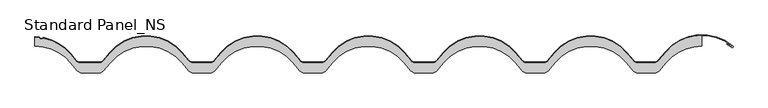
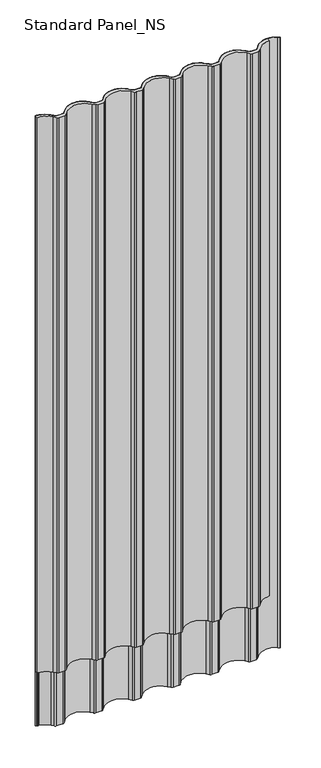
"""IFC4 building model written with IfcOpenShell, lengths in millimetres: proxy geometry, Standard Panel_NS."""

from ifc_helpers import new_model, si_unit, point, frame, frame_2d, origin, origin_with_axes, place, context, project, spatial, polyline, circle_curve, trimmed, segment, composite_curve, outline, extrude, source, transform, mapped, element, save


def standard_panel_ns_ac9356f1(model_context):
    return source(origin(), model_context, "Body", "SweptSolid", [
        extrude(outline(composite_curve([segment(trimmed(circle_curve(frame_2d((-499.9999093, -30.5757185)), 70.5757185), [point((-445.9357723, 14.7894789))], [point((-499.9999093, 40.0))], True, "CARTESIAN"), True, "CONTINUOUS"), segment(polyline([(-499.9999093, 40.0), (-499.9999093, 53.2828645)]), True, "CONTINUOUS"), segment(trimmed(circle_curve(frame_2d((-500.0, -16.7775841)), 70.0604486), [point((-499.9999093, 53.2828645))], [point((-495.2868953, 53.1241548))], False, "CARTESIAN"), True, "CONTINUOUS"), segment(trimmed(circle_curve(frame_2d((-495.5188215, 50.4050302)), 2.7289977), [point((-495.2868953, 53.1241548))], [point((-493.4260619, 52.1565397))], False, "CARTESIAN"), True, "CONTINUOUS"), segment(trimmed(circle_curve(frame_2d((-490.3061485, 54.8018214)), 4.0904004), [point((-493.4260619, 52.1565397))], [point((-488.0869852, 51.365735))], True, "CARTESIAN"), True, "CONTINUOUS"), segment(trimmed(circle_curve(frame_2d((-486.596017, 48.9689117)), 2.82272), [point((-488.0869852, 51.365735))], [point((-486.0111787, 51.7303809))], False, "CARTESIAN"), True, "CONTINUOUS"), segment(trimmed(circle_curve(frame_2d((-500.2495937, -15.5000677)), 68.7216537), [point((-486.0111787, 51.7303809))], [point((-447.2982034, 28.3042238))], False, "CARTESIAN"), True, "CONTINUOUS"), segment(trimmed(circle_curve(frame_2d((987.1713371, 1214.9760284)), 1861.6908536), [point((-447.2982034, 28.3042238))], [point((-438.9665962, 18.3042146))], True, "CARTESIAN"), True, "CONTINUOUS"), segment(trimmed(circle_curve(frame_2d((-431.8806851, 24.25)), 9.25), [point((-438.9665962, 18.3042146))], [point((-431.8806851, 15.0))], True, "CARTESIAN"), True, "CONTINUOUS"), segment(polyline([(-431.8806851, 15.0), (-403.8881753, 15.0)]), True, "CONTINUOUS"), segment(trimmed(circle_curve(frame_2d((-403.8881753, 24.25)), 9.25), [point((-403.8881753, 15.0))], [point((-396.8022642, 18.3042146))], True, "CARTESIAN"), True, "CONTINUOUS"), segment(polyline([(-396.8022642, 18.3042146), (-387.0151148, 29.9680851)]), True, "CONTINUOUS"), segment(trimmed(circle_curve(frame_2d((-333.334, -15.0757185)), 70.0757185), [point((-387.0151148, 29.9680851))], [point((-279.6528852, 29.9680851))], False, "CARTESIAN"), True, "CONTINUOUS"), segment(polyline([(-279.6528852, 29.9680851), (-269.8657358, 18.3042146)]), True, "CONTINUOUS"), segment(trimmed(circle_curve(frame_2d((-262.7798247, 24.25)), 9.25), [point((-269.8657358, 18.3042146))], [point((-262.7798247, 15.0))], True, "CARTESIAN"), True, "CONTINUOUS"), segment(polyline([(-262.7798247, 15.0), (-237.2221753, 15.0)]), True, "CONTINUOUS"), segment(trimmed(circle_curve(frame_2d((-237.2221753, 24.25)), 9.25), [point((-237.2221753, 15.0))], [point((-230.1362642, 18.3042146))], True, "CARTESIAN"), True, "CONTINUOUS"), segment(polyline([(-230.1362642, 18.3042146), (-220.3491148, 29.9680851)]), True, "CONTINUOUS"), segment(trimmed(circle_curve(frame_2d((-166.668, -15.0757185)), 70.0757185), [point((-220.3491148, 29.9680851))], [point((-112.9868852, 29.9680851))], False, "CARTESIAN"), True, "CONTINUOUS"), segment(polyline([(-112.9868852, 29.9680851), (-103.1997358, 18.3042146)]), True, "CONTINUOUS"), segment(trimmed(circle_curve(frame_2d((-96.1138247, 24.25)), 9.25), [point((-103.1997358, 18.3042146))], [point((-96.1138247, 15.0))], True, "CARTESIAN"), True, "CONTINUOUS"), segment(polyline([(-96.1138247, 15.0), (-70.5561753, 15.0)]), True, "CONTINUOUS"), segment(trimmed(circle_curve(frame_2d((-70.5561753, 24.25)), 9.25), [point((-70.5561753, 15.0))], [point((-63.4702642, 18.3042146))], True, "CARTESIAN"), True, "CONTINUOUS"), segment(polyline([(-63.4702642, 18.3042146), (-53.6831148, 29.9680851)]), True, "CONTINUOUS"), segment(trimmed(circle_curve(frame_2d((-0.002, -15.0757185)), 70.0757185), [point((-53.6831148, 29.9680851))], [point((53.6791148, 29.9680851))], False, "CARTESIAN"), True, "CONTINUOUS"), segment(polyline([(53.6791148, 29.9680851), (63.4662642, 18.3042146)]), True, "CONTINUOUS"), segment(trimmed(circle_curve(frame_2d((70.5521753, 24.25)), 9.25), [point((63.4662642, 18.3042146))], [point((70.5521753, 15.0))], True, "CARTESIAN"), True, "CONTINUOUS"), segment(polyline([(70.5521753, 15.0), (96.1098247, 15.0)]), True, "CONTINUOUS"), segment(trimmed(circle_curve(frame_2d((96.1098247, 24.25)), 9.25), [point((96.1098247, 15.0))], [point((103.1957358, 18.3042146))], True, "CARTESIAN"), True, "CONTINUOUS"), segment(polyline([(103.1957358, 18.3042146), (112.9828852, 29.9680851)]), True, "CONTINUOUS"), segment(trimmed(circle_curve(frame_2d((166.664, -15.0757185)), 70.0757185), [point((112.9828852, 29.9680851))], [point((220.3451148, 29.9680851))], False, "CARTESIAN"), True, "CONTINUOUS"), segment(polyline([(220.3451148, 29.9680851), (230.1322642, 18.3042146)]), True, "CONTINUOUS"), segment(trimmed(circle_curve(frame_2d((237.2181753, 24.25)), 9.25), [point((230.1322642, 18.3042146))], [point((237.2181753, 15.0))], True, "CARTESIAN"), True, "CONTINUOUS"), segment(polyline([(237.2181753, 15.0), (262.7758247, 15.0)]), True, "CONTINUOUS"), segment(trimmed(circle_curve(frame_2d((262.7758247, 24.25)), 9.25), [point((262.7758247, 15.0))], [point((269.8617358, 18.3042146))], True, "CARTESIAN"), True, "CONTINUOUS"), segment(polyline([(269.8617358, 18.3042146), (279.6488852, 29.9680851)]), True, "CONTINUOUS"), segment(trimmed(circle_curve(frame_2d((333.33, -15.0757185)), 70.0757185), [point((279.6488852, 29.9680851))], [point((387.0111148, 29.9680851))], False, "CARTESIAN"), True, "CONTINUOUS"), segment(polyline([(387.0111148, 29.9680851), (396.7982642, 18.3042146)]), True, "CONTINUOUS"), segment(trimmed(circle_curve(frame_2d((403.8841753, 24.25)), 9.25), [point((396.7982642, 18.3042146))], [point((403.8841753, 15.0))], True, "CARTESIAN"), True, "CONTINUOUS"), segment(polyline([(403.8841753, 15.0), (427.9886198, 15.0)]), True, "CONTINUOUS"), segment(trimmed(circle_curve(frame_2d((427.9886198, 24.5546837)), 9.5546837), [point((427.9886198, 15.0))], [point((435.3078488, 18.412952))], True, "CARTESIAN"), True, "CONTINUOUS"), segment(polyline([(435.3078488, 18.412952), (446.3159032, 31.5314785)]), True, "CONTINUOUS"), segment(trimmed(circle_curve(frame_2d((499.996521, -13.5131508)), 70.0758685), [point((446.3159032, 31.5314785))], [point((499.9999093, 56.5627177))], False, "CARTESIAN"), True, "CONTINUOUS"), segment(polyline([(499.9999093, 56.5627177), (499.9999093, 39.9999999)]), True, "CONTINUOUS"), segment(trimmed(circle_curve(frame_2d((499.9967507, -30.5757185)), 70.5757185), [point((499.9999093, 39.9999999))], [point((445.9341201, 14.7912741))], True, "CARTESIAN"), True, "CONTINUOUS"), segment(polyline([(445.9341201, 14.7912741), (436.2053545, 3.1977644)]), True, "CONTINUOUS"), segment(trimmed(circle_curve(frame_2d((429.4425754, 8.75)), 8.75), [point((436.2053545, 3.1977644))], [point((429.4425754, 0.0))], False, "CARTESIAN"), True, "CONTINUOUS"), segment(polyline([(429.4425754, 0.0), (403.884266, 0.0)]), True, "CONTINUOUS"), segment(trimmed(circle_curve(frame_2d((403.884266, 8.75)), 8.75), [point((403.884266, 0.0))], [point((397.1813771, 3.1256084))], False, "CARTESIAN"), True, "CONTINUOUS"), segment(polyline([(397.1813771, 3.1256084), (387.3942277, 14.7894789)]), True, "CONTINUOUS"), segment(trimmed(circle_curve(frame_2d((333.3300907, -30.5757185)), 70.5757185), [point((387.3942277, 14.7894789))], [point((279.2659537, 14.7894789))], True, "CARTESIAN"), True, "CONTINUOUS"), segment(polyline([(279.2659537, 14.7894789), (269.4788043, 3.1256084)]), True, "CONTINUOUS"), segment(trimmed(circle_curve(frame_2d((262.7759154, 8.75)), 8.75), [point((269.4788043, 3.1256084))], [point((262.7759154, 0.0))], False, "CARTESIAN"), True, "CONTINUOUS"), segment(polyline([(262.7759154, 0.0), (237.218266, 0.0)]), True, "CONTINUOUS"), segment(trimmed(circle_curve(frame_2d((237.218266, 8.75)), 8.75), [point((237.218266, 0.0))], [point((230.5153771, 3.1256084))], False, "CARTESIAN"), True, "CONTINUOUS"), segment(polyline([(230.5153771, 3.1256084), (220.7282277, 14.7894789)]), True, "CONTINUOUS"), segment(trimmed(circle_curve(frame_2d((166.6640907, -30.5757185)), 70.5757185), [point((220.7282277, 14.7894789))], [point((112.5999537, 14.7894789))], True, "CARTESIAN"), True, "CONTINUOUS"), segment(polyline([(112.5999537, 14.7894789), (102.8128043, 3.1256084)]), True, "CONTINUOUS"), segment(trimmed(circle_curve(frame_2d((96.1099154, 8.75)), 8.75), [point((102.8128043, 3.1256084))], [point((96.1099154, 0.0))], False, "CARTESIAN"), True, "CONTINUOUS"), segment(polyline([(96.1099154, 0.0), (70.552266, 0.0)]), True, "CONTINUOUS"), segment(trimmed(circle_curve(frame_2d((70.552266, 8.75)), 8.75), [point((70.552266, 0.0))], [point((63.8493771, 3.1256084))], False, "CARTESIAN"), True, "CONTINUOUS"), segment(polyline([(63.8493771, 3.1256084), (54.0622277, 14.7894789)]), True, "CONTINUOUS"), segment(trimmed(circle_curve(frame_2d((-0.0019093, -30.5757185)), 70.5757185), [point((54.0622277, 14.7894789))], [point((-54.0660463, 14.7894789))], True, "CARTESIAN"), True, "CONTINUOUS"), segment(polyline([(-54.0660463, 14.7894789), (-63.8531957, 3.1256084)]), True, "CONTINUOUS"), segment(trimmed(circle_curve(frame_2d((-70.5560846, 8.75)), 8.75), [point((-63.8531957, 3.1256084))], [point((-70.5560846, 0.0))], False, "CARTESIAN"), True, "CONTINUOUS"), segment(polyline([(-70.5560846, 0.0), (-96.113734, 0.0)]), True, "CONTINUOUS"), segment(trimmed(circle_curve(frame_2d((-96.113734, 8.75)), 8.75), [point((-96.113734, 0.0))], [point((-102.8166229, 3.1256084))], False, "CARTESIAN"), True, "CONTINUOUS"), segment(polyline([(-102.8166229, 3.1256084), (-112.6037723, 14.7894789)]), True, "CONTINUOUS"), segment(trimmed(circle_curve(frame_2d((-166.6679093, -30.5757185)), 70.5757185), [point((-112.6037723, 14.7894789))], [point((-220.7320463, 14.7894789))], True, "CARTESIAN"), True, "CONTINUOUS"), segment(polyline([(-220.7320463, 14.7894789), (-230.5191957, 3.1256084)]), True, "CONTINUOUS"), segment(trimmed(circle_curve(frame_2d((-237.2220846, 8.75)), 8.75), [point((-230.5191957, 3.1256084))], [point((-237.2220846, 0.0))], False, "CARTESIAN"), True, "CONTINUOUS"), segment(polyline([(-237.2220846, 0.0), (-262.779734, 0.0)]), True, "CONTINUOUS"), segment(trimmed(circle_curve(frame_2d((-262.779734, 8.75)), 8.75), [point((-262.779734, 0.0))], [point((-269.4826229, 3.1256084))], False, "CARTESIAN"), True, "CONTINUOUS"), segment(polyline([(-269.4826229, 3.1256084), (-279.2697723, 14.7894789)]), True, "CONTINUOUS"), segment(trimmed(circle_curve(frame_2d((-333.3339093, -30.5757185)), 70.5757185), [point((-279.2697723, 14.7894789))], [point((-387.3980463, 14.7894789))], True, "CARTESIAN"), True, "CONTINUOUS"), segment(polyline([(-387.3980463, 14.7894789), (-397.1851957, 3.1256084)]), True, "CONTINUOUS"), segment(trimmed(circle_curve(frame_2d((-403.8880846, 8.75)), 8.75), [point((-397.1851957, 3.1256084))], [point((-403.8880846, 0.0))], False, "CARTESIAN"), True, "CONTINUOUS"), segment(polyline([(-403.8880846, 0.0), (-429.445734, 0.0)]), True, "CONTINUOUS"), segment(trimmed(circle_curve(frame_2d((-429.445734, 8.75)), 8.75), [point((-429.445734, 0.0))], [point((-436.1486229, 3.1256084))], False, "CARTESIAN"), True, "CONTINUOUS"), segment(polyline([(-436.1486229, 3.1256084), (-445.9357723, 14.7894789)]), True, "CONTINUOUS")], self_intersect=False)), origin_with_axes(), (0.0, 0.0, 1.0), 2527.968552),
        extrude(outline(composite_curve([segment(trimmed(circle_curve(frame_2d((-500.0, -16.7775841)), 70.0604486), [point((-495.2868953, 53.1241548))], [point((-500.0, 53.2828645))], True, "CARTESIAN"), True, "CONTINUOUS"), segment(polyline([(-500.0, 53.2828645), (-500.0, 54.2829649)]), True, "CONTINUOUS"), segment(trimmed(circle_curve(frame_2d((-500.0, -16.7771098)), 71.0600747), [point((-500.0, 54.2829649))], [point((-495.2112026, 54.1214208))], False, "CARTESIAN"), True, "CONTINUOUS"), segment(trimmed(circle_curve(frame_2d((-495.5123422, 50.4045238)), 3.7290761), [point((-495.2112026, 54.1214208))], [point((-492.6656061, 52.8132791))], False, "CARTESIAN"), True, "CONTINUOUS"), segment(trimmed(circle_curve(frame_2d((-490.303811, 54.8033042)), 3.08841), [point((-492.6656061, 52.8132791))], [point((-488.6436121, 52.1990738))], True, "CARTESIAN"), True, "CONTINUOUS"), segment(trimmed(circle_curve(frame_2d((-486.6092664, 49.0295873)), 3.7661926), [point((-488.6436121, 52.1990738))], [point((-485.803989, 52.7086817))], False, "CARTESIAN"), True, "CONTINUOUS"), segment(trimmed(circle_curve(frame_2d((-500.2495937, -15.5000677)), 69.7216537), [point((-485.803989, 52.7086817))], [point((-446.5276837, 28.9416399))], False, "CARTESIAN"), True, "CONTINUOUS"), segment(trimmed(circle_curve(frame_2d((987.1713371, 1214.9760284)), 1860.6908536), [point((-446.5276837, 28.9416399))], [point((-438.2005517, 18.9470022))], True, "CARTESIAN"), True, "CONTINUOUS"), segment(trimmed(circle_curve(frame_2d((-431.8806851, 24.25)), 8.25), [point((-438.2005517, 18.9470022))], [point((-431.8806851, 16.0))], True, "CARTESIAN"), True, "CONTINUOUS"), segment(polyline([(-431.8806851, 16.0), (-403.8881753, 16.0)]), True, "CONTINUOUS"), segment(trimmed(circle_curve(frame_2d((-403.8881753, 24.25)), 8.25), [point((-403.8881753, 16.0))], [point((-397.5683086, 18.9470022))], True, "CARTESIAN"), True, "CONTINUOUS"), segment(polyline([(-397.5683086, 18.9470022), (-387.7811592, 30.6108727)]), True, "CONTINUOUS"), segment(trimmed(circle_curve(frame_2d((-333.334, -15.0757185)), 71.0757185), [point((-387.7811592, 30.6108727))], [point((-278.8868408, 30.6108727))], False, "CARTESIAN"), True, "CONTINUOUS"), segment(polyline([(-278.8868408, 30.6108727), (-269.0996914, 18.9470022)]), True, "CONTINUOUS"), segment(trimmed(circle_curve(frame_2d((-262.7798247, 24.25)), 8.25), [point((-269.0996914, 18.9470022))], [point((-262.7798247, 16.0))], True, "CARTESIAN"), True, "CONTINUOUS"), segment(polyline([(-262.7798247, 16.0), (-237.2221753, 16.0)]), True, "CONTINUOUS"), segment(trimmed(circle_curve(frame_2d((-237.2221753, 24.25)), 8.25), [point((-237.2221753, 16.0))], [point((-230.9023086, 18.9470022))], True, "CARTESIAN"), True, "CONTINUOUS"), segment(polyline([(-230.9023086, 18.9470022), (-221.1151592, 30.6108727)]), True, "CONTINUOUS"), segment(trimmed(circle_curve(frame_2d((-166.668, -15.0757185)), 71.0757185), [point((-221.1151592, 30.6108727))], [point((-112.2208408, 30.6108727))], False, "CARTESIAN"), True, "CONTINUOUS"), segment(polyline([(-112.2208408, 30.6108727), (-102.4336914, 18.9470022)]), True, "CONTINUOUS"), segment(trimmed(circle_curve(frame_2d((-96.1138247, 24.25)), 8.25), [point((-102.4336914, 18.9470022))], [point((-96.1138247, 16.0))], True, "CARTESIAN"), True, "CONTINUOUS"), segment(polyline([(-96.1138247, 16.0), (-70.5561753, 16.0)]), True, "CONTINUOUS"), segment(trimmed(circle_curve(frame_2d((-70.5561753, 24.25)), 8.25), [point((-70.5561753, 16.0))], [point((-64.2363086, 18.9470022))], True, "CARTESIAN"), True, "CONTINUOUS"), segment(polyline([(-64.2363086, 18.9470022), (-54.4491592, 30.6108727)]), True, "CONTINUOUS"), segment(trimmed(circle_curve(frame_2d((-0.002, -15.0757185)), 71.0757185), [point((-54.4491592, 30.6108727))], [point((54.4451592, 30.6108727))], False, "CARTESIAN"), True, "CONTINUOUS"), segment(polyline([(54.4451592, 30.6108727), (64.2323086, 18.9470022)]), True, "CONTINUOUS"), segment(trimmed(circle_curve(frame_2d((70.5521753, 24.25)), 8.25), [point((64.2323086, 18.9470022))], [point((70.5521753, 16.0))], True, "CARTESIAN"), True, "CONTINUOUS"), segment(polyline([(70.5521753, 16.0), (96.1098247, 16.0)]), True, "CONTINUOUS"), segment(trimmed(circle_curve(frame_2d((96.1098247, 24.25)), 8.25), [point((96.1098247, 16.0))], [point((102.4296914, 18.9470022))], True, "CARTESIAN"), True, "CONTINUOUS"), segment(polyline([(102.4296914, 18.9470022), (112.2168408, 30.6108727)]), True, "CONTINUOUS"), segment(trimmed(circle_curve(frame_2d((166.664, -15.0757185)), 71.0757185), [point((112.2168408, 30.6108727))], [point((221.1111592, 30.6108727))], False, "CARTESIAN"), True, "CONTINUOUS"), segment(polyline([(221.1111592, 30.6108727), (230.8983086, 18.9470022)]), True, "CONTINUOUS"), segment(trimmed(circle_curve(frame_2d((237.2181753, 24.25)), 8.25), [point((230.8983086, 18.9470022))], [point((237.2181753, 16.0))], True, "CARTESIAN"), True, "CONTINUOUS"), segment(polyline([(237.2181753, 16.0), (262.7758247, 16.0)]), True, "CONTINUOUS"), segment(trimmed(circle_curve(frame_2d((262.7758247, 24.25)), 8.25), [point((262.7758247, 16.0))], [point((269.0956914, 18.9470022))], True, "CARTESIAN"), True, "CONTINUOUS"), segment(polyline([(269.0956914, 18.9470022), (278.8828408, 30.6108727)]), True, "CONTINUOUS"), segment(trimmed(circle_curve(frame_2d((333.33, -15.0757185)), 71.0757185), [point((278.8828408, 30.6108727))], [point((387.7771592, 30.6108727))], False, "CARTESIAN"), True, "CONTINUOUS"), segment(polyline([(387.7771592, 30.6108727), (397.5643086, 18.9470022)]), True, "CONTINUOUS"), segment(trimmed(circle_curve(frame_2d((403.8841753, 24.25)), 8.25), [point((397.5643086, 18.9470022))], [point((403.8841753, 16.0))], True, "CARTESIAN"), True, "CONTINUOUS"), segment(polyline([(403.8841753, 16.0), (427.9886198, 16.0)]), True, "CONTINUOUS"), segment(trimmed(circle_curve(frame_2d((427.9886198, 24.5546837)), 8.5546837), [point((427.9886198, 16.0))], [point((434.541813, 19.05575))], True, "CARTESIAN"), True, "CONTINUOUS"), segment(polyline([(434.541813, 19.05575), (445.5498675, 32.1742765)]), True, "CONTINUOUS"), segment(trimmed(circle_curve(frame_2d((499.996521, -13.5131508)), 71.0758685), [point((445.5498675, 32.1742765))], [point((546.4302848, 40.2984155))], False, "CARTESIAN"), True, "CONTINUOUS"), segment(trimmed(circle_curve(frame_2d((545.510792, 39.3124043)), 1.3482155), [point((546.4302848, 40.2984155))], [point((544.6709926, 38.2576901))], False, "CARTESIAN"), True, "CONTINUOUS"), segment(polyline([(544.6709926, 38.2576901), (537.1924344, 43.4663257), (537.7639543, 44.2869139), (545.2774084, 39.0539742)]), True, "CONTINUOUS"), segment(trimmed(circle_curve(frame_2d((545.510792, 39.3124043)), 0.3482155), [point((545.2774084, 39.0539742))], [point((545.7576616, 39.5579841))], True, "CARTESIAN"), True, "CONTINUOUS"), segment(trimmed(circle_curve(frame_2d((499.996521, -13.5131508)), 70.0758685), [point((545.7576616, 39.5579841))], [point((446.3159032, 31.5314785))], True, "CARTESIAN"), True, "CONTINUOUS"), segment(polyline([(446.3159032, 31.5314785), (435.3078488, 18.412952)]), True, "CONTINUOUS"), segment(trimmed(circle_curve(frame_2d((427.9886198, 24.5546837)), 9.5546837), [point((435.3078488, 18.412952))], [point((427.9886198, 15.0))], False, "CARTESIAN"), True, "CONTINUOUS"), segment(polyline([(427.9886198, 15.0), (403.8841753, 15.0)]), True, "CONTINUOUS"), segment(trimmed(circle_curve(frame_2d((403.8841753, 24.25)), 9.25), [point((403.8841753, 15.0))], [point((396.7982642, 18.3042146))], False, "CARTESIAN"), True, "CONTINUOUS"), segment(polyline([(396.7982642, 18.3042146), (387.0111148, 29.9680851)]), True, "CONTINUOUS"), segment(trimmed(circle_curve(frame_2d((333.33, -15.0757185)), 70.0757185), [point((387.0111148, 29.9680851))], [point((279.6488852, 29.9680851))], True, "CARTESIAN"), True, "CONTINUOUS"), segment(polyline([(279.6488852, 29.9680851), (269.8617358, 18.3042146)]), True, "CONTINUOUS"), segment(trimmed(circle_curve(frame_2d((262.7758247, 24.25)), 9.25), [point((269.8617358, 18.3042146))], [point((262.7758247, 15.0))], False, "CARTESIAN"), True, "CONTINUOUS"), segment(polyline([(262.7758247, 15.0), (237.2181753, 15.0)]), True, "CONTINUOUS"), segment(trimmed(circle_curve(frame_2d((237.2181753, 24.25)), 9.25), [point((237.2181753, 15.0))], [point((230.1322642, 18.3042146))], False, "CARTESIAN"), True, "CONTINUOUS"), segment(polyline([(230.1322642, 18.3042146), (220.3451148, 29.9680851)]), True, "CONTINUOUS"), segment(trimmed(circle_curve(frame_2d((166.664, -15.0757185)), 70.0757185), [point((220.3451148, 29.9680851))], [point((112.9828852, 29.9680851))], True, "CARTESIAN"), True, "CONTINUOUS"), segment(polyline([(112.9828852, 29.9680851), (103.1957358, 18.3042146)]), True, "CONTINUOUS"), segment(trimmed(circle_curve(frame_2d((96.1098247, 24.25)), 9.25), [point((103.1957358, 18.3042146))], [point((96.1098247, 15.0))], False, "CARTESIAN"), True, "CONTINUOUS"), segment(polyline([(96.1098247, 15.0), (70.5521753, 15.0)]), True, "CONTINUOUS"), segment(trimmed(circle_curve(frame_2d((70.5521753, 24.25)), 9.25), [point((70.5521753, 15.0))], [point((63.4662642, 18.3042146))], False, "CARTESIAN"), True, "CONTINUOUS"), segment(polyline([(63.4662642, 18.3042146), (53.6791148, 29.9680851)]), True, "CONTINUOUS"), segment(trimmed(circle_curve(frame_2d((-0.002, -15.0757185)), 70.0757185), [point((53.6791148, 29.9680851))], [point((-53.6831148, 29.9680851))], True, "CARTESIAN"), True, "CONTINUOUS"), segment(polyline([(-53.6831148, 29.9680851), (-63.4702642, 18.3042146)]), True, "CONTINUOUS"), segment(trimmed(circle_curve(frame_2d((-70.5561753, 24.25)), 9.25), [point((-63.4702642, 18.3042146))], [point((-70.5561753, 15.0))], False, "CARTESIAN"), True, "CONTINUOUS"), segment(polyline([(-70.5561753, 15.0), (-96.1138247, 15.0)]), True, "CONTINUOUS"), segment(trimmed(circle_curve(frame_2d((-96.1138247, 24.25)), 9.25), [point((-96.1138247, 15.0))], [point((-103.1997358, 18.3042146))], False, "CARTESIAN"), True, "CONTINUOUS"), segment(polyline([(-103.1997358, 18.3042146), (-112.9868852, 29.9680851)]), True, "CONTINUOUS"), segment(trimmed(circle_curve(frame_2d((-166.668, -15.0757185)), 70.0757185), [point((-112.9868852, 29.9680851))], [point((-220.3491148, 29.9680851))], True, "CARTESIAN"), True, "CONTINUOUS"), segment(polyline([(-220.3491148, 29.9680851), (-230.1362642, 18.3042146)]), True, "CONTINUOUS"), segment(trimmed(circle_curve(frame_2d((-237.2221753, 24.25)), 9.25), [point((-230.1362642, 18.3042146))], [point((-237.2221753, 15.0))], False, "CARTESIAN"), True, "CONTINUOUS"), segment(polyline([(-237.2221753, 15.0), (-262.7798247, 15.0)]), True, "CONTINUOUS"), segment(trimmed(circle_curve(frame_2d((-262.7798247, 24.25)), 9.25), [point((-262.7798247, 15.0))], [point((-269.8657358, 18.3042146))], False, "CARTESIAN"), True, "CONTINUOUS"), segment(polyline([(-269.8657358, 18.3042146), (-279.6528852, 29.9680851)]), True, "CONTINUOUS"), segment(trimmed(circle_curve(frame_2d((-333.334, -15.0757185)), 70.0757185), [point((-279.6528852, 29.9680851))], [point((-387.0151148, 29.9680851))], True, "CARTESIAN"), True, "CONTINUOUS"), segment(polyline([(-387.0151148, 29.9680851), (-396.8022642, 18.3042146)]), True, "CONTINUOUS"), segment(trimmed(circle_curve(frame_2d((-403.8881753, 24.25)), 9.25), [point((-396.8022642, 18.3042146))], [point((-403.8881753, 15.0))], False, "CARTESIAN"), True, "CONTINUOUS"), segment(polyline([(-403.8881753, 15.0), (-431.8806851, 15.0)]), True, "CONTINUOUS"), segment(trimmed(circle_curve(frame_2d((-431.8806851, 24.25)), 9.25), [point((-431.8806851, 15.0))], [point((-438.9665962, 18.3042146))], False, "CARTESIAN"), True, "CONTINUOUS"), segment(trimmed(circle_curve(frame_2d((987.1713371, 1214.9760284)), 1861.6908536), [point((-438.9665962, 18.3042146))], [point((-447.2982034, 28.3042238))], False, "CARTESIAN"), True, "CONTINUOUS"), segment(trimmed(circle_curve(frame_2d((-500.2495937, -15.5000677)), 68.7216537), [point((-447.2982034, 28.3042238))], [point((-486.0111787, 51.7303809))], True, "CARTESIAN"), True, "CONTINUOUS"), segment(trimmed(circle_curve(frame_2d((-486.596017, 48.9689117)), 2.82272), [point((-486.0111787, 51.7303809))], [point((-488.0869852, 51.365735))], True, "CARTESIAN"), True, "CONTINUOUS"), segment(trimmed(circle_curve(frame_2d((-490.3061485, 54.8018214)), 4.0904004), [point((-488.0869852, 51.365735))], [point((-493.4260619, 52.1565397))], False, "CARTESIAN"), True, "CONTINUOUS"), segment(trimmed(circle_curve(frame_2d((-495.5188215, 50.4050302)), 2.7289977), [point((-493.4260619, 52.1565397))], [point((-495.2868953, 53.1241548))], True, "CARTESIAN"), True, "CONTINUOUS")], self_intersect=False)), frame((0.0, 0.0, -250.0), z_axis=(0.0, 0.0, 1.0), x_axis=(1.0, 0.0, 0.0)), (0.0, 0.0, 1.0), 2777.968552),
    ])


if __name__ == "__main__":
    model = new_model("IFC4")
    model_context = context("Model", 3, world=origin())
    ifc_project = project(units=[si_unit("LENGTHUNIT", "METRE", prefix="MILLI")], contexts=[model_context])
    site = spatial("IfcSite", under=ifc_project)
    building = spatial("IfcBuilding", under=site)
    placement = place(None, origin())
    standard_panel_ns_shape = standard_panel_ns_ac9356f1(model_context)
    element("IfcBuildingElementProxy", 1, Name="Standard Panel_NS", ObjectType="Standard Panel_NS", at=placement, inside=building, context=model_context, shape_type="MappedRepresentation", body=[
        mapped(standard_panel_ns_shape, transform((0.0, 0.0, 0.0), x_axis=(1.0, 0.0, 0.0), y_axis=(0.0, 1.0, 0.0), z_axis=(0.0, 0.0, 1.0))),
    ])
    save(model, "model.ifc")
